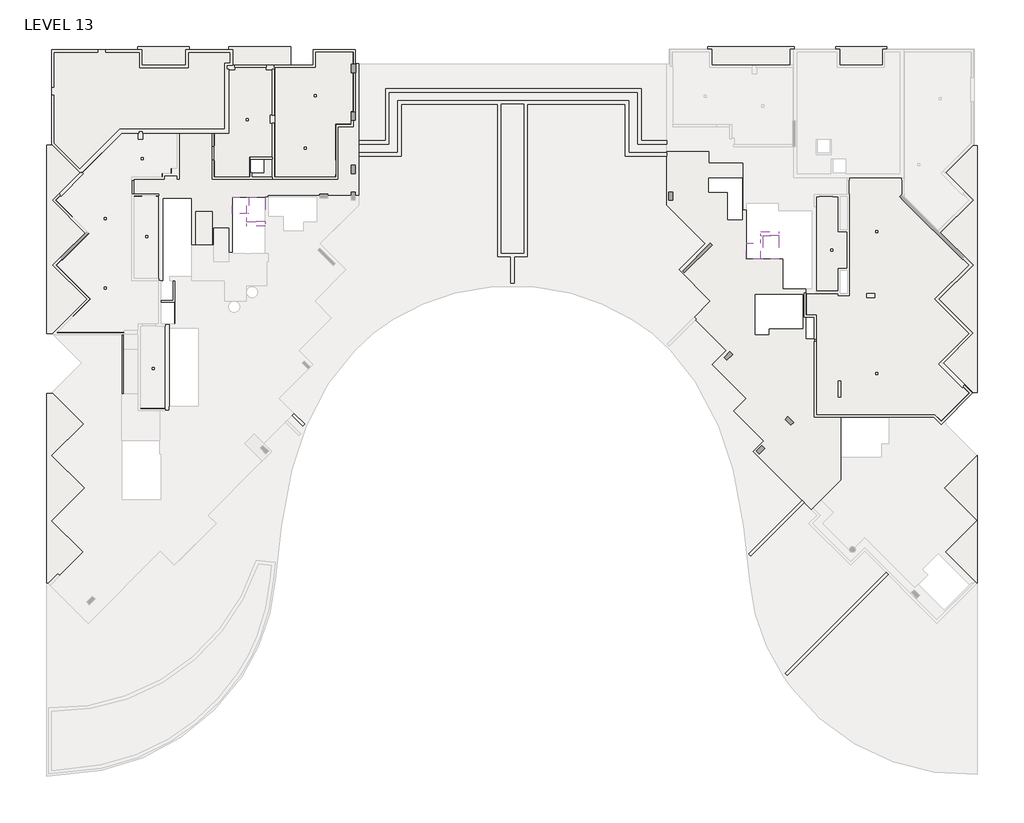
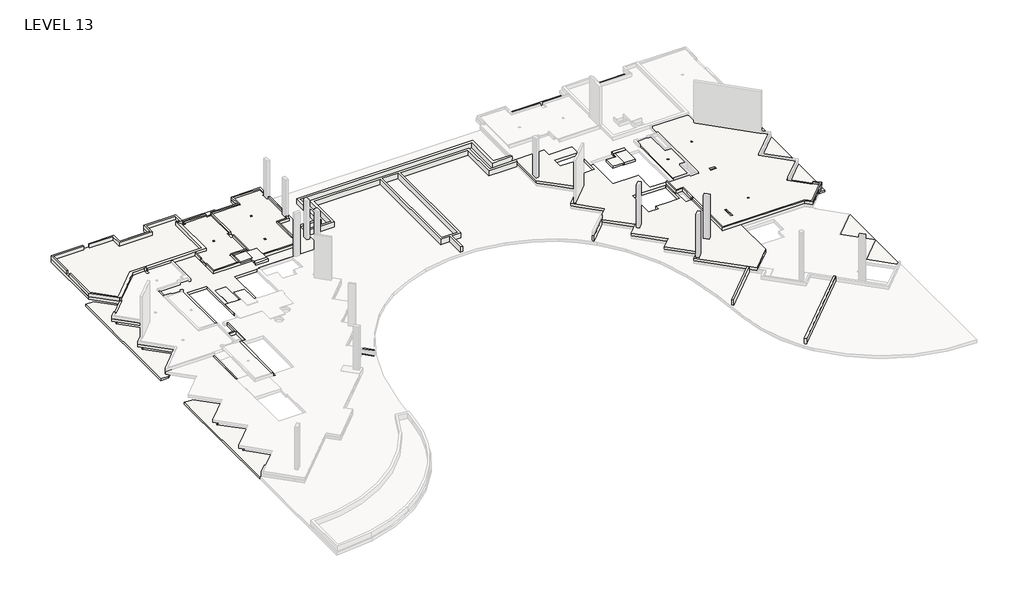
# One storey, part 4 of 5: 24 slabs.
"""IFC4 building model written with IfcOpenShell, lengths in millimetres."""

from ifc_helpers import new_model, si_unit, frame, origin, place, context, project, spatial, polyline, outline, extrude, faceted_brep, element, save

model = new_model("IFC4")

# Units and contexts
model_context = context("Model", 3, world=origin())
ifc_project = project(units=[si_unit("LENGTHUNIT", "METRE", prefix="MILLI")], contexts=[model_context])

# Site, building, storey
site = spatial("IfcSite", under=ifc_project)
building = spatial("IfcBuilding", under=site)
storey = spatial("IfcBuildingStorey", under=building, Name="LEVEL 13", Elevation=41350.0)

# Slabs
placement = place(None, origin())
element("IfcSlab", 1, ObjectType="200 SLAB", at=placement, inside=storey, context=model_context, shape_type="Brep", body=[
    faceted_brep([(177092.7148824, 178741.2468358, 40450.0), (177092.7148824, 192830.0981869, 40450.0), (177890.667677, 192830.0981869, 40450.0), (177997.248071, 192830.0981869, 40450.0), (180263.2740415, 190564.0722165, 40450.0), (177915.6795279, 188216.4777029, 40450.0), (180333.9787939, 185798.1784369, 40450.0), (177915.6736023, 183379.8732453, 40450.0), (180234.9897699, 181060.5570777, 40450.0), (177915.6795279, 178741.2468358, 40450.0), (177092.7148824, 178741.2468358, 40650.0), (177915.6795279, 178741.2468358, 40650.0), (180234.9897699, 181060.5570777, 40650.0), (177915.6736023, 183379.8732453, 40650.0), (180333.9787939, 185798.1784369, 40650.0), (177915.6795279, 188216.4777029, 40650.0), (180051.1420071, 190351.9401821, 40650.0), (180263.2740415, 190564.0722165, 40650.0), (177997.248071, 192830.0981869, 40650.0), (177890.667677, 192830.0981869, 40650.0), (177092.7148824, 192830.0981869, 40650.0)], [[[0, 1, 2, 3, 4, 5, 6, 7, 8, 9]], [[10, 11, 12, 13, 14, 15, 16, 17, 18, 19, 20]], [[1, 0, 10, 20]], [[3, 2, 1, 20, 19, 18]], [[4, 3, 18, 17]], [[5, 4, 17, 16, 15]], [[6, 5, 15, 14]], [[7, 6, 14, 13]], [[8, 7, 13, 12]], [[9, 8, 12, 11]], [[0, 9, 11, 10]]]),
    faceted_brep([(177092.7148824, 197267.4445021, 40450.0), (177092.7148824, 211243.5141082, 40450.0), (177954.8216636, 211243.5141082, 40450.0), (180008.8932696, 209189.4425022, 40450.0), (177961.6414687, 207142.1907014, 40450.0), (180379.9407348, 204723.8914352, 40450.0), (177986.3842806, 202330.334981, 40450.0), (180517.8324827, 199798.8867788, 40450.0), (177986.390206, 197267.4445021, 40450.0), (177092.7148824, 197267.4445021, 40650.0), (177986.390206, 197267.4445021, 40650.0), (180305.7004484, 199586.7547445, 40650.0), (180517.8324827, 199798.8867788, 40650.0), (177986.3842806, 202330.334981, 40650.0), (180379.9407348, 204723.8914352, 40650.0), (180167.814626, 204936.0175441, 40650.0), (177961.6414687, 207142.1907014, 40650.0), (180008.8932696, 209189.4425022, 40650.0), (177954.8216636, 211243.5141082, 40650.0), (177092.7148824, 211243.5141082, 40650.0)], [[[0, 1, 2, 3, 4, 5, 6, 7, 8]], [[9, 10, 11, 12, 13, 14, 15, 16, 17, 18, 19]], [[1, 0, 9, 19]], [[2, 1, 19, 18]], [[3, 2, 18, 17]], [[4, 3, 17, 16]], [[5, 4, 16, 15, 14]], [[6, 5, 14, 13]], [[7, 6, 13, 12]], [[8, 7, 12, 11, 10]], [[0, 8, 10, 9]]]),
    faceted_brep([(187666.1491689, 218537.6490053, 40450.0), (187666.1491689, 216852.6490083, 40450.0), (183862.6165793, 216852.6490083, 40450.0), (183862.6165793, 218537.6490053, 40450.0), (187666.1491689, 218537.6490053, 40650.0), (183862.6165793, 218537.6490053, 40650.0), (183862.6165793, 216852.6490083, 40650.0), (187666.1491689, 216852.6490083, 40650.0)], [[[0, 1, 2, 3]], [[4, 5, 6, 7]], [[1, 0, 4, 7]], [[2, 1, 7, 6]], [[3, 2, 6, 5]], [[0, 3, 5, 4]]]),
    faceted_brep([(190581.1817586, 218537.6490053, 40450.0), (195196.1817586, 218537.6490053, 40450.0), (195196.1817586, 216852.6490083, 40450.0), (190581.1817586, 216852.6490083, 40450.0), (190581.1817586, 218537.6490053, 40650.0), (190581.1817586, 216852.6490083, 40650.0), (195196.1817586, 216852.6490083, 40650.0), (195196.1817586, 218537.6490053, 40650.0)], [[[0, 1, 2, 3]], [[4, 5, 6, 7]], [[1, 0, 4, 7]], [[2, 1, 7, 6]], [[3, 2, 6, 5]], [[0, 3, 5, 4]]]),
    faceted_brep([(232494.079817, 216842.6487402, 40450.0), (226068.4924966, 216842.6487402, 40450.0), (226068.4924966, 218537.6490053, 40450.0), (232494.079817, 218537.6490053, 40450.0), (232494.079817, 216842.6487402, 40650.0), (232494.079817, 218537.6490053, 40650.0), (226068.4924966, 218537.6490053, 40650.0), (226068.4924966, 216842.6487402, 40650.0)], [[[0, 1, 2, 3]], [[4, 5, 6, 7]], [[1, 0, 4, 7]], [[2, 1, 7, 6]], [[3, 2, 6, 5]], [[0, 3, 5, 4]]]),
    faceted_brep([(239330.5472273, 218537.6490053, 40450.0), (239330.5472273, 216842.6487402, 40450.0), (235562.1509792, 216842.6487402, 40450.0), (235562.1509792, 218537.6490053, 40450.0), (239330.5472273, 218537.6490053, 40650.0), (235562.1509792, 218537.6490053, 40650.0), (235562.1509792, 216842.6487402, 40650.0), (235969.079817, 216842.6487402, 40650.0), (239330.5472273, 216842.6487402, 40650.0), (239330.5472273, 217142.6487402, 40650.0)], [[[0, 1, 2, 3]], [[4, 5, 6, 7, 8, 9]], [[1, 0, 4, 9, 8]], [[2, 1, 8, 7, 6]], [[3, 2, 6, 5]], [[0, 3, 5, 4]]]),
    faceted_brep([(246057.5141036, 192880.0981876, 40450.0), (245284.5613093, 192880.0981876, 40450.0), (243085.7045571, 195078.9549397, 40450.0), (245291.8717888, 197285.1221714, 40450.0), (242778.1071813, 199798.8867788, 40450.0), (245309.5553835, 202330.334981, 40450.0), (242891.2501918, 204748.6401726, 40450.0), (245309.549458, 207166.9394387, 40450.0), (243287.0463945, 209189.4425022, 40450.0), (245284.5494558, 211186.9455636, 40450.0), (246057.5141036, 211186.9455636, 40450.0), (246057.5141036, 192880.0981876, 40650.0), (246057.5141036, 211186.9455636, 40650.0), (245284.5494558, 211186.9455636, 40650.0), (243287.0463945, 209189.4425022, 40650.0), (245309.549458, 207166.9394387, 40650.0), (242891.2501918, 204748.6401726, 40650.0), (245309.5553835, 202330.334981, 40650.0), (242778.1071813, 199798.8867788, 40650.0), (242990.2392157, 199586.7547445, 40650.0), (245291.8717888, 197285.1221714, 40650.0), (243085.7045571, 195078.9549397, 40650.0), (245284.5613093, 192880.0981876, 40650.0)], [[[0, 1, 2, 3, 4, 5, 6, 7, 8, 9, 10]], [[11, 12, 13, 14, 15, 16, 17, 18, 19, 20, 21, 22]], [[1, 0, 11, 22]], [[2, 1, 22, 21]], [[3, 2, 21, 20]], [[4, 3, 20, 19, 18]], [[5, 4, 18, 17]], [[6, 5, 17, 16]], [[7, 6, 16, 15]], [[8, 7, 15, 14]], [[9, 8, 14, 13]], [[10, 9, 13, 12]], [[0, 10, 12, 11]]]),
    faceted_brep([(246057.5141036, 178741.3590752, 40450.0), (246002.4018641, 178741.3590752, 40450.0), (243672.778824, 181070.9821153, 40450.0), (245992.0949916, 183390.2982829, 40450.0), (243584.2148376, 185798.1784369, 40450.0), (246002.5141036, 188216.4777029, 40450.0), (246057.5141036, 188216.4777029, 40450.0), (246057.5141036, 178741.3590752, 40650.0), (246057.5141036, 188216.4777029, 40650.0), (246002.5141036, 188216.4777029, 40650.0), (243584.2148376, 185798.1784369, 40650.0), (245992.0949916, 183390.2982829, 40650.0), (243672.778824, 181070.9821153, 40650.0), (246002.4018641, 178741.3590752, 40650.0)], [[[0, 1, 2, 3, 4, 5, 6]], [[7, 8, 9, 10, 11, 12, 13]], [[1, 0, 7, 13]], [[2, 1, 13, 12]], [[3, 2, 12, 11]], [[4, 3, 11, 10]], [[5, 4, 10, 9]], [[6, 5, 9, 8]], [[0, 6, 8, 7]]]),
])
element("IfcSlab", 2, ObjectType="200 SLAB", at=placement, inside=storey, context=model_context, shape_type="Brep", body=[
    faceted_brep([(190841.1489175, 206144.6402751, 43600.0), (190841.1489175, 207358.1983002, 43600.0), (191941.1489175, 207358.1983002, 43600.0), (192081.1489175, 207358.1983002, 43600.0), (192081.1489175, 206144.6402751, 43600.0), (191941.1489175, 206144.6402751, 43600.0), (190841.1489175, 206144.6402751, 43800.0), (192081.1489175, 206144.6402751, 43800.0), (192081.1489175, 207358.1983002, 43800.0), (190841.1489175, 207358.1983002, 43800.0), (192081.1489175, 207358.1983002, 43750.0), (192081.1489175, 206144.6402751, 43750.0)], [[[0, 1, 2, 3, 4, 5]], [[6, 7, 8, 9]], [[1, 0, 6, 9]], [[3, 2, 1, 9, 8, 10]], [[4, 3, 10, 8, 7, 11]], [[0, 5, 4, 11, 7, 6]]]),
])
element("IfcSlab", 3, ObjectType="200 SLAB", at=placement, inside=storey, context=model_context, shape_type="Brep", body=[
    faceted_brep([(228911.1491692, 203963.2508905, 43150.0), (230011.1491692, 203963.2508905, 43150.0), (230011.1491692, 204510.216984, 43150.0), (230151.1491692, 204510.216984, 43150.0), (230151.1491692, 202773.216984, 43150.0), (230011.1491692, 202773.216984, 43150.0), (228911.1491692, 202773.216984, 43150.0), (228911.1491692, 203963.2508905, 43350.0), (228911.1491692, 202773.216984, 43350.0), (230151.1491692, 202773.216984, 43350.0), (230151.1491692, 204510.216984, 43350.0), (230011.1491692, 204510.216984, 43350.0), (230011.1491692, 203963.2508905, 43350.0), (230151.1491692, 204510.216984, 43300.0), (230151.1491692, 202773.216984, 43300.0)], [[[0, 1, 2, 3, 4, 5, 6]], [[7, 8, 9, 10, 11, 12]], [[1, 0, 7, 12]], [[4, 3, 13, 10, 9, 14]], [[6, 5, 4, 14, 9, 8]], [[0, 6, 8, 7]], [[2, 1, 12, 11]], [[3, 2, 11, 10, 13]]]),
])
element("IfcSlab", 4, ObjectType="200 SLAB", at=placement, inside=storey, context=model_context, shape_type="Brep", body=[
    faceted_brep([(191941.1489175, 207358.1983002, 43550.0), (193281.1958691, 207358.1983002, 43550.0), (193281.1958691, 205561.4728012, 43550.0), (191941.1489175, 205561.4728012, 43550.0), (193281.1958691, 205561.4728012, 43750.0), (193281.1958691, 207358.1983002, 43750.0), (192081.1489175, 207358.1983002, 43750.0), (192081.1489175, 206144.6402751, 43750.0), (191941.1489175, 206144.6402751, 43750.0), (191941.1489175, 205561.4728012, 43750.0), (191941.1489175, 207358.1983002, 43600.0), (192081.1489175, 207358.1983002, 43600.0), (191941.1489175, 206144.6402751, 43600.0), (192081.1489175, 206144.6402751, 43600.0)], [[[0, 1, 2, 3]], [[4, 5, 6, 7, 8, 9]], [[1, 0, 10, 11, 6, 5]], [[2, 1, 5, 4]], [[3, 2, 4, 9]], [[0, 3, 9, 8, 12, 10]], [[13, 11, 10, 12]], [[11, 13, 7, 6]], [[13, 12, 8, 7]]]),
])
element("IfcSlab", 5, ObjectType="300 TRANSFER SLAB", at=placement, inside=storey, context=model_context, shape_type="Brep", body=[
    faceted_brep([(228911.1491692, 202773.216984, 41050.0), (231402.4721706, 202773.216984, 41050.0), (231651.1491692, 202773.216984, 41050.0), (231651.1491692, 200548.2322067, 41050.0), (233353.3270284, 200548.2322067, 41050.0), (233353.3270284, 200298.1983002, 41050.0), (233353.3270284, 198478.2796194, 41050.0), (233353.3270284, 196855.6796194, 41050.0), (233973.3270284, 196855.6796194, 41050.0), (233973.3270284, 191069.9667857, 41050.0), (235948.3270284, 191069.9667857, 41050.0), (235948.3270284, 186412.5258895, 41050.0), (235648.3270284, 186112.5258895, 41050.0), (234460.5910539, 184924.789915, 41050.0), (233753.4842727, 184217.6831338, 41050.0), (230152.0535874, 187819.1138191, 41050.0), (229444.9468062, 188526.2206003, 41050.0), (230213.3118296, 189294.5856237, 41050.0), (228692.9570003, 190814.9404531, 41050.0), (227985.8502191, 191522.0472343, 41050.0), (228917.5144496, 192453.7114648, 41050.0), (227114.5737184, 194256.6521959, 41050.0), (226407.4669372, 194963.7589771, 41050.0), (227448.2850104, 196004.5770502, 41050.0), (225737.0925284, 197715.7695323, 41050.0), (225029.9857472, 198422.8763135, 41050.0), (226274.6601941, 199667.5507604, 41050.0), (224662.2730786, 201279.9378758, 41050.0), (223955.1662974, 201987.044657, 41050.0), (225901.3729607, 203933.2513203, 41050.0), (224042.0250868, 205792.5991942, 41050.0), (223042.0250868, 206792.5991942, 41050.0), (223041.6619625, 206792.9623186, 41050.0), (223041.6619625, 210740.6983002, 41050.0), (226149.0721706, 210740.6983002, 41050.0), (226149.0721706, 209884.8725072, 41050.0), (228661.5721706, 209884.8725072, 41050.0), (228661.5721706, 206423.2508905, 41050.0), (228911.1491692, 206423.2508905, 41050.0), (229586.3270284, 197177.3142449, 41050.0), (230602.3270284, 197177.3142449, 41050.0), (230602.3270284, 197625.2796194, 41050.0), (232102.3270284, 197625.2796194, 41050.0), (233118.3270284, 197625.2796194, 41050.0), (233118.3270284, 200125.2796194, 41050.0), (233102.3270284, 200125.2796194, 41050.0), (233102.3270284, 200141.2796194, 41050.0), (229586.3270284, 200141.2796194, 41050.0), (226149.0721706, 207755.1983032, 41050.0), (227546.0721706, 207755.1983032, 41050.0), (227546.0721706, 205692.2490024, 41050.0), (228646.1491692, 205692.2490024, 41050.0), (228646.1491692, 208771.1983032, 41050.0), (226149.0721706, 208771.1983032, 41050.0), (231651.1491692, 202773.216984, 41350.0), (231402.4721706, 202773.216984, 41350.0), (228911.1491692, 202773.216984, 41350.0), (228911.1491692, 206423.2508905, 41350.0), (228661.5721706, 206423.2508905, 41350.0), (228661.5721706, 209884.8725072, 41350.0), (226149.0721706, 209884.8725072, 41350.0), (226149.0721706, 210740.6983002, 41350.0), (223041.6619625, 210740.6983002, 41350.0), (223041.6619625, 206792.9623186, 41350.0), (225901.3729607, 203933.2513203, 41350.0), (223955.1662974, 201987.044657, 41350.0), (226274.6601941, 199667.5507604, 41350.0), (225029.9857472, 198422.8763135, 41350.0), (227448.2850104, 196004.5770502, 41350.0), (226407.4669372, 194963.7589771, 41350.0), (228917.5144496, 192453.7114648, 41350.0), (227985.8502191, 191522.0472343, 41350.0), (230213.3118296, 189294.5856237, 41350.0), (229444.9468062, 188526.2206003, 41350.0), (233753.4842727, 184217.6831338, 41350.0), (235948.3270284, 186412.5258895, 41350.0), (235948.3270284, 191069.9667857, 41350.0), (233973.3270284, 191069.9667857, 41350.0), (233973.3270284, 196855.6796194, 41350.0), (233353.3270284, 196855.6796194, 41350.0), (233353.3270284, 198478.2796194, 41350.0), (233353.3270284, 200298.1983002, 41350.0), (233353.3270284, 200548.2322067, 41350.0), (231651.1491692, 200548.2322067, 41350.0), (230602.3270284, 197177.3142449, 41350.0), (229586.3270284, 197177.3142449, 41350.0), (229586.3270284, 200141.2796194, 41350.0), (233102.3270284, 200141.2796194, 41350.0), (233102.3270284, 200125.2796194, 41350.0), (233118.3270284, 200125.2796194, 41350.0), (233118.3270284, 197625.2796194, 41350.0), (232102.3270284, 197625.2796194, 41350.0), (230602.3270284, 197625.2796194, 41350.0), (227546.0721706, 207755.1983032, 41350.0), (226149.0721706, 207755.1983032, 41350.0), (226149.0721706, 208771.1983032, 41350.0), (228646.1491692, 208771.1983032, 41350.0), (228646.1491692, 205692.2490024, 41350.0), (227546.0721706, 205692.2490024, 41350.0)], [[[0, 1, 2, 3, 4, 5, 6, 7, 8, 9, 10, 11, 12, 13, 14, 15, 16, 17, 18, 19, 20, 21, 22, 23, 24, 25, 26, 27, 28, 29, 30, 31, 32, 33, 34, 35, 36, 37, 38], [39, 40, 41, 42, 43, 44, 45, 46, 47], [48, 49, 50, 51, 52, 53]], [[54, 55, 56, 57, 58, 59, 60, 61, 62, 63, 64, 65, 66, 67, 68, 69, 70, 71, 72, 73, 74, 75, 76, 77, 78, 79, 80, 81, 82, 83], [84, 85, 86, 87, 88, 89, 90, 91, 92], [93, 94, 95, 96, 97, 98]], [[32, 63, 62, 33]], [[56, 0, 38, 57]], [[2, 1, 0, 56, 55, 54]], [[3, 2, 54, 83]], [[4, 3, 83, 82]], [[4, 82, 81, 80, 79, 7, 6, 5]], [[8, 7, 79, 78]], [[9, 8, 78, 77]], [[10, 9, 77, 76]], [[16, 15, 14, 74, 73]], [[17, 16, 73, 72]], [[19, 18, 17, 72, 71]], [[20, 19, 71, 70]], [[22, 21, 20, 70, 69]], [[23, 22, 69, 68]], [[25, 24, 23, 68, 67]], [[26, 25, 67, 66]], [[28, 27, 26, 66, 65]], [[29, 28, 65, 64]], [[32, 31, 30, 29, 64, 63]], [[11, 10, 76, 75]], [[40, 39, 85, 84]], [[41, 40, 84, 92]], [[41, 92, 91, 90, 43, 42]], [[44, 43, 90, 89]], [[44, 89, 88, 45]], [[85, 39, 47, 86]], [[49, 48, 94, 93]], [[50, 49, 93, 98]], [[51, 50, 98, 97]], [[52, 51, 97, 96]], [[53, 52, 96, 95]], [[48, 53, 95, 94]], [[14, 13, 12, 11, 75, 74]], [[87, 46, 45, 88]], [[86, 47, 46, 87]], [[37, 58, 57, 38]], [[58, 37, 36, 59]], [[59, 36, 35, 60]], [[60, 35, 34, 61]], [[61, 34, 33, 62]]]),
])
element("IfcSlab", 6, ObjectType="300 TRANSFER SLAB", at=placement, inside=storey, context=model_context, shape_type="Brep", body=[
    faceted_brep([(186201.1489175, 197958.2322067, 41050.0), (186201.1489175, 191842.6490083, 41050.0), (186201.1489175, 191543.2322067, 41050.0), (185466.1489175, 191543.2322067, 41050.0), (182656.1019659, 191543.2322067, 41050.0), (182656.1019659, 197168.4495528, 41050.0), (177661.1210867, 197168.4495528, 41050.0), (177562.1261373, 197267.4445021, 41050.0), (180093.568414, 199798.8867788, 41050.0), (177774.2522462, 202118.2029466, 41050.0), (177562.1202119, 202330.334981, 41050.0), (179955.6766661, 204723.8914352, 41050.0), (177537.3774, 207142.1907014, 41050.0), (177749.5094343, 207354.3227357, 41050.0), (179584.6292008, 209189.4425022, 41050.0), (177462.7148824, 211311.3568207, 41050.0), (177462.7148824, 218297.6490083, 41050.0), (184162.6165793, 218297.6490083, 41050.0), (184162.6165793, 217142.6490083, 41050.0), (187416.1491689, 217142.6490083, 41050.0), (187416.1491689, 218297.6490083, 41050.0), (190881.1817586, 218297.6490083, 41050.0), (190881.1817586, 217142.6487402, 41050.0), (196843.2038997, 217142.6487402, 41050.0), (196843.2038997, 218297.6490083, 41050.0), (199978.1920448, 218297.6490083, 41050.0), (199978.1920448, 217257.6490083, 41050.0), (200218.1920448, 217257.6490083, 41050.0), (200218.1920448, 217185.0490053, 41050.0), (200218.1920448, 207468.1983002, 41050.0), (193531.1958691, 207468.1983002, 41050.0), (193531.1958691, 207392.1983002, 41050.0), (193531.1958691, 207358.1983002, 41050.0), (193281.1958691, 207358.1983002, 41050.0), (190841.1489175, 207358.1983002, 41050.0), (190841.1489175, 202578.1983002, 41050.0), (190841.1489175, 202193.1983002, 41050.0), (188111.1489205, 202193.1983002, 41050.0), (187861.1489205, 202193.1983002, 41050.0), (187861.1489205, 207308.2322067, 41050.0), (185701.1489205, 207308.2322067, 41050.0), (185701.1489205, 201493.1983002, 41050.0), (185701.1489205, 201193.2322067, 41050.0), (185541.1489175, 201193.1983002, 41050.0), (185541.1489175, 199693.1983002, 41050.0), (186491.1489175, 199693.1983002, 41050.0), (186491.1489175, 201193.2322067, 41050.0), (186631.1489175, 201193.2322067, 41050.0), (186631.1489175, 197958.2322067, 41050.0), (186231.1489175, 197958.2322067, 41050.0), (192191.1491689, 210172.9748729, 41050.0), (192191.1491689, 209172.9748729, 41050.0), (193191.1491689, 209172.9748729, 41050.0), (193191.1491689, 210172.9748729, 41050.0), (186541.1489175, 199553.1983002, 41050.0), (185541.1489175, 199553.1983002, 41050.0), (185541.1489175, 197968.1983002, 41050.0), (186541.1489175, 197968.1983002, 41050.0), (186201.1489175, 191543.2322067, 41350.0), (186201.1489175, 191842.6490083, 41350.0), (186201.1489175, 197958.2322067, 41350.0), (186231.1489175, 197958.2322067, 41350.0), (186631.1489175, 197958.2322067, 41350.0), (186631.1489175, 201193.2322067, 41350.0), (186491.1489175, 201193.2322067, 41350.0), (186491.1489175, 199693.1983002, 41350.0), (185541.1489175, 199693.1983002, 41350.0), (185541.1489175, 201193.1983002, 41350.0), (185701.1489205, 201193.1983002, 41350.0), (185701.1489205, 201493.1983002, 41350.0), (185701.1489205, 207308.2322067, 41350.0), (187861.1489205, 207308.2322067, 41350.0), (187861.1489205, 203833.1983002, 41350.0), (187861.1489205, 202193.1983002, 41350.0), (188111.1489205, 202193.1983002, 41350.0), (190841.1489175, 202193.1983002, 41350.0), (190841.1489175, 202578.1983002, 41350.0), (190841.1489175, 203178.1983002, 41350.0), (190841.1489175, 203273.1983002, 41350.0), (190841.1489175, 207358.1983002, 41350.0), (193281.1958691, 207358.1983002, 41350.0), (193531.1958691, 207358.1983002, 41350.0), (193531.1958691, 207392.1983002, 41350.0), (193531.1958691, 207468.1983002, 41350.0), (200218.1920448, 207468.1983002, 41350.0), (200218.1920448, 217257.6490083, 41350.0), (199978.1920448, 217257.6490083, 41350.0), (199978.1920448, 218297.6490083, 41350.0), (196843.2038997, 218297.6490083, 41350.0), (196843.2038997, 217142.6487402, 41350.0), (190881.1817586, 217142.6487402, 41350.0), (190881.1817586, 218297.6490083, 41350.0), (187416.1491689, 218297.6490083, 41350.0), (187416.1491689, 217142.6490083, 41350.0), (184162.6165793, 217142.6490083, 41350.0), (184162.6165793, 218297.6490083, 41350.0), (177462.7148824, 218297.6490083, 41350.0), (177462.7148824, 211311.3568207, 41350.0), (179584.6292008, 209189.4425022, 41350.0), (177537.3774, 207142.1907014, 41350.0), (179955.6766661, 204723.8914352, 41350.0), (177562.1202119, 202330.334981, 41350.0), (180093.568414, 199798.8867788, 41350.0), (177562.1261373, 197267.4445021, 41350.0), (177661.1210867, 197168.4495528, 41350.0), (182656.1019659, 197168.4495528, 41350.0), (182656.1019659, 192783.2322067, 41350.0), (184036.1019659, 192783.2322067, 41350.0), (184036.1019659, 191683.2322067, 41350.0), (185466.1489175, 191683.2322067, 41350.0), (185466.1489175, 191543.2322067, 41350.0), (192191.1491689, 209172.9748729, 41350.0), (192191.1491689, 210172.9748729, 41350.0), (193191.1491689, 210172.9748729, 41350.0), (193191.1491689, 209172.9748729, 41350.0), (185541.1489175, 199553.1983002, 41350.0), (186541.1489175, 199553.1983002, 41350.0), (186541.1489175, 197968.1983002, 41350.0), (185541.1489175, 197968.1983002, 41350.0), (185466.1489175, 191543.2322067, 41100.0), (182656.1019659, 191543.2322067, 41100.0), (190841.1489175, 202193.1983002, 41100.0), (187861.1489205, 202193.1983002, 41100.0), (182656.1019659, 192783.2322067, 41100.0), (184036.1019659, 192783.2322067, 41100.0), (185466.1489175, 191683.2322067, 41100.0), (184036.1019659, 191683.2322067, 41100.0)], [[[0, 1, 2, 3, 4, 5, 6, 7, 8, 9, 10, 11, 12, 13, 14, 15, 16, 17, 18, 19, 20, 21, 22, 23, 24, 25, 26, 27, 28, 29, 30, 31, 32, 33, 34, 35, 36, 37, 38, 39, 40, 41, 42, 43, 44, 45, 46, 47, 48, 49], [50, 51, 52, 53], [54, 55, 56, 57]], [[58, 59, 60, 61, 62, 63, 64, 65, 66, 67, 68, 69, 70, 71, 72, 73, 74, 75, 76, 77, 78, 79, 80, 81, 82, 83, 84, 85, 86, 87, 88, 89, 90, 91, 92, 93, 94, 95, 96, 97, 98, 99, 100, 101, 102, 103, 104, 105, 106, 107, 108, 109, 110], [111, 112, 113, 114], [115, 116, 117, 118]], [[2, 1, 0, 60, 59, 58]], [[4, 3, 2, 58, 110, 119, 120]], [[7, 6, 104, 103]], [[8, 7, 103, 102]], [[10, 9, 8, 102, 101]], [[11, 10, 101, 100]], [[12, 11, 100, 99]], [[14, 13, 12, 99, 98]], [[15, 14, 98, 97]], [[16, 15, 97, 96]], [[17, 16, 96, 95]], [[18, 17, 95, 94]], [[19, 18, 94, 93]], [[20, 19, 93, 92]], [[21, 20, 92, 91]], [[22, 21, 91, 90]], [[23, 22, 90, 89]], [[24, 23, 89, 88]], [[25, 24, 88, 87]], [[29, 28, 27, 85, 84]], [[30, 29, 84, 83]], [[32, 31, 30, 83, 82, 81]], [[34, 33, 32, 81, 80, 79]], [[36, 35, 34, 79, 78, 77, 76, 75, 121]], [[38, 37, 36, 121, 75, 74, 73, 122]], [[39, 38, 122, 73, 72, 71]], [[40, 39, 71, 70]], [[42, 41, 40, 70, 69, 68]], [[63, 47, 46, 64]], [[48, 47, 63, 62]], [[0, 49, 48, 62, 61, 60]], [[26, 25, 87, 86]], [[27, 26, 86, 85]], [[5, 4, 120, 123, 106, 105]], [[6, 5, 105, 104]], [[124, 123, 120, 119, 125, 126]], [[125, 119, 110, 109]], [[126, 125, 109, 108]], [[123, 124, 107, 106]], [[124, 126, 108, 107]], [[50, 112, 111, 51]], [[51, 111, 114, 52]], [[52, 114, 113, 53]], [[112, 50, 53, 113]], [[67, 43, 42, 68]], [[43, 67, 66, 44]], [[44, 66, 65, 45]], [[45, 65, 64, 46]], [[54, 116, 115, 55]], [[55, 115, 118, 56]], [[56, 118, 117, 57]], [[116, 54, 57, 117]]]),
])
element("IfcSlab", 7, ObjectType="CONCRETE FILL_RAMP", at=placement, inside=storey, context=model_context, shape_type="SweptSolid", body=[
    extrude(outline(polyline([(206333.1983002, 41348.0), (203833.1983002, 41348.0), (203833.1983002, 41400.0), (206333.1983002, 41350.0), (206333.1983002, 41348.0)])), frame((188161.1489205, 0.0, 0.0), z_axis=(1.0, 0.0, 0.0), x_axis=(0.0, 1.0, 0.0)), (0.0, 0.0, 1.0), 1189.999997),
])
element("IfcSlab", 8, ObjectType="F2A - 165mm Concrete Curb", at=placement, inside=storey, context=model_context, shape_type="SweptSolid", body=[
    extrude(outline(polyline([(198537.0646065, 210078.1983002), (198677.0646065, 210078.1983002), (198677.0646065, 209063.1983002), (198537.0646065, 209063.1983002), (198537.0646065, 210078.1983002)])), frame((0.0, 0.0, 41350.0), z_axis=(0.0, 0.0, 1.0), x_axis=(1.0, 0.0, 0.0)), (0.0, 0.0, 1.0), 165.0),
])
element("IfcSlab", 9, ObjectType="F2A - 165mm Concrete Curb", at=placement, inside=storey, context=model_context, shape_type="SweptSolid", body=[
    extrude(outline(polyline([(189351.1489175, 211142.6490083), (189491.1489175, 211142.6490083), (189491.1489175, 210127.6490083), (189351.1489175, 210127.6490083), (189351.1489175, 211142.6490083)])), frame((0.0, 0.0, 41350.0), z_axis=(0.0, 0.0, 1.0), x_axis=(1.0, 0.0, 0.0)), (0.0, 0.0, 1.0), 165.0),
])
element("IfcSlab", 10, ObjectType="F2A - 165mm Concrete Curb", at=placement, inside=storey, context=model_context, shape_type="SweptSolid", body=[
    extrude(outline(polyline([(183551.1489205, 207608.2322067), (183411.1489205, 207608.2322067), (183411.1489205, 208623.2322067), (183551.1489205, 208623.2322067), (183551.1489205, 207608.2322067)])), frame((0.0, 0.0, 41350.0), z_axis=(0.0, 0.0, 1.0), x_axis=(1.0, 0.0, 0.0)), (0.0, 0.0, 1.0), 165.0),
])
element("IfcSlab", 11, ObjectType="F2A - 200mm Suspended Concrete Slab", at=placement, inside=storey, context=model_context, shape_type="Brep", body=[
    faceted_brep([(230011.1491692, 204510.216984, 43100.0), (231351.1491692, 204510.216984, 43100.0), (231351.1491692, 202773.216984, 43100.0), (230011.1491692, 202773.216984, 43100.0), (231351.1491692, 202773.216984, 43300.0), (231351.1491692, 204510.216984, 43300.0), (230151.1491692, 204510.216984, 43300.0), (230151.1491692, 202773.216984, 43300.0), (230011.1491692, 204510.216984, 43150.0), (230151.1491692, 204510.216984, 43150.0), (230151.1491692, 202773.216984, 43150.0), (230011.1491692, 202773.216984, 43150.0), (230011.1491692, 203963.2508905, 43150.0)], [[[0, 1, 2, 3]], [[4, 5, 6, 7]], [[1, 0, 8, 9, 6, 5]], [[2, 1, 5, 4]], [[3, 2, 4, 7, 10, 11]], [[0, 3, 11, 12, 8]], [[10, 9, 8, 12, 11]], [[9, 10, 7, 6]]]),
])
element("IfcSlab", 12, ObjectType="F2A - 250mm Suspended Concrete Slab", at=placement, inside=storey, context=model_context, shape_type="Brep", body=[
    faceted_brep([(191941.1489175, 205561.4527302, 43550.0), (193281.1958691, 205561.4527302, 43550.0), (193281.1958691, 205233.9527302, 43550.0), (191941.1489175, 205233.9527302, 43550.0), (191941.1489175, 205561.4527302, 43800.0), (191941.1489175, 205233.9527302, 43800.0), (193281.1958691, 205233.9527302, 43800.0), (193281.1958691, 205561.4527302, 43800.0), (191941.1489175, 205561.4527302, 43750.0), (193281.1958691, 205561.4527302, 43750.0)], [[[0, 1, 2, 3]], [[4, 5, 6, 7]], [[1, 0, 8, 4, 7, 9]], [[2, 1, 9, 7, 6]], [[3, 2, 6, 5]], [[0, 3, 5, 4, 8]]]),
])
element("IfcSlab", 13, ObjectType="F2A - 250mm Suspended Concrete Slab", at=placement, inside=storey, context=model_context, shape_type="Brep", body=[
    faceted_brep([(230011.1491692, 204510.216984, 43100.0), (230011.1491692, 204834.316984, 43100.0), (231351.1961208, 204834.316984, 43100.0), (231351.1961208, 204510.216984, 43100.0), (230011.1491692, 204510.216984, 43350.0), (231351.1961208, 204510.216984, 43350.0), (231351.1961208, 204834.316984, 43350.0), (230011.1491692, 204834.316984, 43350.0), (230011.1491692, 204510.216984, 43150.0)], [[[0, 1, 2, 3]], [[4, 5, 6, 7]], [[1, 0, 8, 4, 7]], [[2, 1, 7, 6]], [[3, 2, 6, 5]], [[0, 3, 5, 4, 8]]]),
])
element("IfcSlab", 14, ObjectType="F2A - 315mm Concrete Curb", at=placement, inside=storey, context=model_context, shape_type="SweptSolid", body=[
    extrude(outline(polyline([(233353.3270284, 198618.2796194), (234113.3270284, 198618.2796194), (234113.3270284, 196855.6796194), (233973.3270284, 196855.6796194), (233973.3270284, 198478.2796194), (233213.3270284, 198478.2796194), (233213.3270284, 200248.2322067), (233353.3270284, 200248.2322067), (233353.3270284, 198618.2796194)])), frame((0.0, 0.0, 41350.0), z_axis=(0.0, 0.0, 1.0), x_axis=(1.0, 0.0, 0.0)), (0.0, 0.0, 1.0), 315.0),
])
element("IfcSlab", 15, ObjectType="F2A - 315mm Concrete Curb", at=placement, inside=storey, context=model_context, shape_type="SweptSolid", body=[
    extrude(outline(polyline([(233973.3270284, 191069.9667857), (233973.3270284, 196655.6796194), (234113.3270284, 196655.6796194), (234113.3270284, 191209.9667857), (242888.816868, 191209.9667857), (243372.0768775, 190726.7067762), (245482.796545, 192837.4264437), (244989.2301882, 193330.9928005), (245088.2251376, 193429.9877499), (245680.7864437, 192837.4264437), (243372.0768775, 190528.7168775), (242830.8269692, 191069.9667857), (233973.3270284, 191069.9667857)])), frame((0.0, 0.0, 41350.0), z_axis=(0.0, 0.0, 1.0), x_axis=(1.0, 0.0, 0.0)), (0.0, 0.0, 1.0), 315.0),
])
element("IfcSlab", 16, ObjectType="F2A - 315mm Concrete Curb", at=placement, inside=storey, context=model_context, shape_type="SweptSolid", body=[
    extrude(outline(polyline([(196843.2038997, 217142.6487402), (196843.2038997, 218297.6490083), (199978.1920448, 218297.6490083), (199978.1920448, 217212.6490083), (199838.1920448, 217212.6490083), (199838.1920448, 218157.6490083), (196983.2038997, 218157.6490083), (196983.2038997, 217002.6487402), (193971.1491689, 217002.6487402), (193971.1491689, 217142.6487402), (196843.2038997, 217142.6487402)])), frame((0.0, 0.0, 41350.0), z_axis=(0.0, 0.0, 1.0), x_axis=(1.0, 0.0, 0.0)), (0.0, 0.0, 1.0), 315.0),
    extrude(outline(polyline([(199838.1920448, 216612.6490083), (199978.1920448, 216612.6490083), (199978.1920448, 213677.6490083), (199838.1920448, 213677.6490083), (199838.1920448, 216612.6490083)])), frame((0.0, 0.0, 41350.0), z_axis=(0.0, 0.0, 1.0), x_axis=(1.0, 0.0, 0.0)), (0.0, 0.0, 1.0), 315.0),
    extrude(outline(polyline([(199818.1920448, 212612.6490083), (198677.0646065, 212612.6490083), (198677.0646065, 208708.1983002), (193831.1491689, 208708.1983002), (193831.1491689, 212852.6487656), (193971.1491689, 212852.6487656), (193971.1491689, 208848.1983002), (198537.0646065, 208848.1983002), (198537.0646065, 212752.6490083), (199678.1920448, 212752.6490083), (199678.1920448, 213077.6490083), (199818.1920448, 213077.6490083), (199818.1920448, 212612.6490083)])), frame((0.0, 0.0, 41350.0), z_axis=(0.0, 0.0, 1.0), x_axis=(1.0, 0.0, 0.0)), (0.0, 0.0, 1.0), 315.0),
    extrude(outline(polyline([(193831.1491689, 216842.6487402), (193971.1491689, 216842.6487402), (193971.1491689, 213452.6487656), (193831.1491689, 213452.6487656), (193831.1491689, 216842.6487402)])), frame((0.0, 0.0, 41350.0), z_axis=(0.0, 0.0, 1.0), x_axis=(1.0, 0.0, 0.0)), (0.0, 0.0, 1.0), 315.0),
])
element("IfcSlab", 17, ObjectType="F2A - 315mm Concrete Curb", at=placement, inside=storey, context=model_context, shape_type="SweptSolid", body=[
    extrude(outline(polyline([(191032.7148824, 217002.6487402), (191032.7148824, 217142.6487402), (193371.1491689, 217142.6487402), (193371.1491689, 217002.6487402), (191032.7148824, 217002.6487402)])), frame((0.0, 0.0, 41350.0), z_axis=(0.0, 0.0, 1.0), x_axis=(1.0, 0.0, 0.0)), (0.0, 0.0, 1.0), 315.0),
    extrude(outline(polyline([(192306.1491689, 208848.1983002), (193831.1491689, 208848.1983002), (193831.1491689, 208708.1983002), (189351.1489175, 208708.1983002), (189351.1489175, 210127.6490083), (189491.1489175, 210127.6490083), (189491.1489175, 208848.1983002), (192166.1491689, 208848.1983002), (192166.1491689, 210317.6490054), (193831.1491689, 210317.6490054), (193831.1491689, 210178.1983002), (192306.1491689, 210178.1983002), (192306.1491689, 210172.9748729), (192191.1491689, 210172.9748729), (192191.1491689, 209172.9748729), (192306.1491689, 209172.9748729), (192306.1491689, 208848.1983002)])), frame((0.0, 0.0, 41350.0), z_axis=(0.0, 0.0, 1.0), x_axis=(1.0, 0.0, 0.0)), (0.0, 0.0, 1.0), 315.0),
    extrude(outline(polyline([(189351.1489175, 211142.6490083), (189351.1489175, 212130.1487656), (189491.1489175, 212130.1487656), (189491.1489175, 211142.6490083), (189351.1489175, 211142.6490083)])), frame((0.0, 0.0, 41350.0), z_axis=(0.0, 0.0, 1.0), x_axis=(1.0, 0.0, 0.0)), (0.0, 0.0, 1.0), 315.0),
])
element("IfcSlab", 18, ObjectType="F2A - 400mm Concrete Curb", at=placement, inside=storey, context=model_context, shape_type="SweptSolid", body=[
    extrude(outline(polyline([(180874.2148824, 218297.6490083), (180874.2148824, 218132.6490083), (177627.7148824, 218132.6490083), (177627.7148824, 215525.1490053), (177462.7148824, 215525.1490053), (177462.7148824, 218297.6490083), (180874.2148824, 218297.6490083)])), frame((0.0, 0.0, 41350.0), z_axis=(0.0, 0.0, 1.0), x_axis=(1.0, 0.0, 0.0)), (0.0, 0.0, 1.0), 400.0),
    extrude(outline(polyline([(181474.2148824, 218297.6490083), (184162.6165793, 218297.6490083), (184162.6165793, 217142.6490083), (187416.1491689, 217142.6490083), (187416.1491689, 218297.6490083), (190881.1817586, 218297.6490083), (190881.1817586, 217142.6487402), (190432.7148824, 217142.6487402), (190432.7148824, 216842.6487402), (190572.7148824, 216842.6487402), (190572.7148824, 212130.1487656), (184216.1491689, 212130.1487656), (184216.1491689, 212270.1487656), (183916.1491689, 212270.1487656), (183916.1491689, 212130.1487656), (182652.6146848, 212130.1487656), (179715.4439554, 209192.9780361), (179651.7984199, 209256.6235716), (179584.6232757, 209189.4484274), (177462.7148824, 211311.3568207), (177462.7148824, 214925.1490053), (177627.7148824, 214925.1490053), (177627.7148824, 211379.7020585), (179559.8804635, 209447.5364774), (182532.4927517, 212420.1487656), (190282.7148824, 212420.1487656), (190282.7148824, 217292.6487402), (190716.1817586, 217292.6487402), (190716.1817586, 218132.6490083), (187581.1491689, 218132.6490083), (187581.1491689, 216977.6490083), (183997.6165793, 216977.6490083), (183997.6165793, 218132.6490083), (181474.2148824, 218132.6490083), (181474.2148824, 218297.6490083)])), frame((0.0, 0.0, 41350.0), z_axis=(0.0, 0.0, 1.0), x_axis=(1.0, 0.0, 0.0)), (0.0, 0.0, 1.0), 400.0),
])
element("IfcSlab", 19, ObjectType="F2A - 600mm Concrete Curb", at=placement, inside=storey, context=model_context, shape_type="SweptSolid", body=[
    extrude(outline(polyline([(202209.7789551, 211562.6490083), (202209.7789551, 215413.3972302), (221132.9789553, 215413.3972302), (221132.9789553, 211562.6490083), (223041.6619625, 211562.6490083), (223041.6619625, 211312.6490083), (220882.9789553, 211312.6490083), (220882.9789553, 215163.3972302), (202459.7789551, 215163.3972302), (202459.7789551, 211312.6490083), (200218.1920448, 211312.6490083), (200218.1920448, 211562.6490083), (202209.7789551, 211562.6490083)])), frame((0.0, 0.0, 40750.0), z_axis=(0.0, 0.0, 1.0), x_axis=(1.0, 0.0, 0.0)), (0.0, 0.0, 1.0), 600.0),
])
element("IfcSlab", 20, ObjectType="F2A - 600mm Concrete Curb", at=placement, inside=storey, context=model_context, shape_type="SweptSolid", body=[
    extrude(outline(polyline([(203109.7789551, 210662.6490083), (203109.7789551, 214513.3972302), (220232.9789553, 214513.3972302), (220232.9789553, 210662.6490083), (223041.6619625, 210662.6490083), (223041.6619625, 210412.6490083), (219982.9789553, 210412.6490083), (219982.9789553, 214263.3972302), (212700.4270036, 214263.3972302), (212700.4270036, 202975.39723), (211737.4270036, 202975.39723), (211737.4270036, 200995.39723), (211487.4270036, 200995.39723), (211487.4270036, 202975.39723), (210524.4270036, 202975.39723), (210524.4270036, 214263.3972302), (203359.7789551, 214263.3972302), (203359.7789551, 210412.6490083), (200218.1920448, 210412.6490083), (200218.1920448, 210662.6490083), (203109.7789551, 210662.6490083)]), holes=[polyline([(210774.4270036, 214263.3972302), (210774.4270036, 203225.39723), (212450.4270036, 203225.39723), (212450.4270036, 214263.3972302), (210774.4270036, 214263.3972302)])]), frame((0.0, 0.0, 40750.0), z_axis=(0.0, 0.0, 1.0), x_axis=(1.0, 0.0, 0.0)), (0.0, 0.0, 1.0), 600.0),
    extrude(outline(polyline([(225173.6698451, 198279.1922155), (223223.822896, 196329.3452664), (223080.1387981, 196473.0293643), (225029.9857472, 198422.8763135), (225173.6698451, 198279.1922155)])), frame((0.0, 0.0, 40750.0), z_axis=(0.0, 0.0, 1.0), x_axis=(1.0, 0.0, 0.0)), (0.0, 0.0, 1.0), 600.0),
    extrude(outline(polyline([(233229.4981952, 184741.6692113), (229276.0771798, 180788.248196), (229132.3930819, 180931.9322939), (233085.8140972, 184885.3533093), (233229.4981952, 184741.6692113)])), frame((0.0, 0.0, 40750.0), z_axis=(0.0, 0.0, 1.0), x_axis=(1.0, 0.0, 0.0)), (0.0, 0.0, 1.0), 600.0),
    extrude(outline(polyline([(239437.4492313, 179395.9666776), (231980.2869046, 171938.8043509), (231836.6028066, 172082.4884489), (239293.7651333, 179539.6507755), (239437.4492313, 179395.9666776)])), frame((0.0, 0.0, 40750.0), z_axis=(0.0, 0.0, 1.0), x_axis=(1.0, 0.0, 0.0)), (0.0, 0.0, 1.0), 600.0),
    extrude(outline(polyline([(196073.7360656, 190399.946761), (195277.3888415, 191196.2939852), (195421.0729394, 191339.9780831), (196217.4201635, 190543.630859), (196073.7360656, 190399.946761)])), frame((0.0, 0.0, 40750.0), z_axis=(0.0, 0.0, 1.0), x_axis=(1.0, 0.0, 0.0)), (0.0, 0.0, 1.0), 600.0),
])
element("IfcSlab", 21, ObjectType="F3B - 165mm Mechanical Floating Floor", at=placement, inside=storey, context=model_context, shape_type="SweptSolid", body=[
    extrude(outline(polyline([(234163.3270284, 198668.2796194), (233403.3270284, 198668.2796194), (233403.3270284, 200198.2322067), (235693.3270284, 200198.2322067), (235693.3270284, 200042.6490054), (236608.3270284, 200042.6490054), (236608.3270284, 207603.1983002), (236558.3270284, 207603.1983002), (236558.3270284, 208783.1983002), (240415.2947395, 208783.1983002), (240415.2947395, 208618.1983002), (240465.2947395, 208618.1983002), (240465.2947395, 207603.1983002), (240415.2947395, 207603.1983002), (240415.2947395, 207224.6449096), (244950.1840794, 202689.7555698), (244992.5858439, 202732.1573343), (245394.4081972, 202330.334981), (242862.959995, 199798.8867788), (245411.8983782, 197249.9483956), (243163.3293819, 195001.3793993), (244946.8284235, 193217.8803577), (244989.2301882, 193260.2821224), (245412.0858669, 192837.4264437), (243372.0768775, 190797.4174543), (242909.5275461, 191259.9667857), (234163.3270284, 191259.9667857), (234163.3270284, 198668.2796194)]), holes=[polyline([(238447.1020707, 200237.6490054), (237847.1020707, 200237.6490054), (237847.1020707, 199937.6490054), (238447.1020707, 199937.6490054), (238447.1020707, 200237.6490054)]), polyline([(235943.3270284, 193724.1334186), (235743.3270284, 193724.1334186), (235743.3270284, 192554.1334186), (235943.3270284, 192554.1334186), (235943.3270284, 193724.1334186)]), polyline([(238683.6035617, 204758.5120108), (238683.6035617, 204908.5120108), (238533.6035617, 204908.5120108), (238533.6035617, 204758.5120108), (238683.6035617, 204758.5120108)]), polyline([(238683.6035617, 194223.7769275), (238683.6035617, 194373.7769275), (238533.6035617, 194373.7769275), (238533.6035617, 194223.7769275), (238683.6035617, 194223.7769275)])]), frame((0.0, 0.0, 41350.0), z_axis=(0.0, 0.0, 1.0), x_axis=(1.0, 0.0, 0.0)), (0.0, 0.0, 1.0), 165.0),
])
element("IfcSlab", 22, ObjectType="F3B - 165mm Mechanical Floating Floor", at=placement, inside=storey, context=model_context, shape_type="SweptSolid", body=[
    extrude(outline(polyline([(235693.3270284, 204778.5120108), (236368.3270284, 204778.5120108), (236368.3270284, 202122.3827074), (235693.3270284, 202122.3827074), (235693.3270284, 200438.2322067), (234161.1491692, 200438.2322067), (234161.1491692, 207363.1983002), (234326.1491692, 207363.1983002), (234326.1491692, 207413.1983002), (235341.1491692, 207413.1983002), (235341.1491692, 207363.1983002), (235693.3270284, 207363.1983002), (235693.3270284, 204778.5120108)]), holes=[polyline([(235336.1491692, 203377.3827074), (235336.1491692, 203527.3827074), (235186.1491692, 203527.3827074), (235186.1491692, 203377.3827074), (235336.1491692, 203377.3827074)])]), frame((0.0, 0.0, 41350.0), z_axis=(0.0, 0.0, 1.0), x_axis=(1.0, 0.0, 0.0)), (0.0, 0.0, 1.0), 165.0),
])
element("IfcSlab", 23, ObjectType="F3B - 165mm Mechanical Floating Floor", at=placement, inside=storey, context=model_context, shape_type="SweptSolid", body=[
    extrude(outline(polyline([(194021.1491689, 208898.1983002), (194021.1491689, 216952.6487402), (197033.2038997, 216952.6487402), (197033.2038997, 218107.6490083), (199788.1920448, 218107.6490083), (199788.1920448, 217262.6490083), (199628.1920448, 217262.6490083), (199628.1920448, 216562.6490083), (199788.1920448, 216562.6490083), (199788.1920448, 213727.6490083), (199628.1920448, 213727.6490083), (199628.1920448, 212802.6490083), (198487.0646065, 212802.6490083), (198487.0646065, 210078.1983002), (198537.0646065, 210078.1983002), (198537.0646065, 209063.1983002), (198487.0646065, 209063.1983002), (198487.0646065, 208898.1983002), (194021.1491689, 208898.1983002)]), holes=[polyline([(197088.1491689, 214952.6490083), (196938.1491689, 214952.6490083), (196938.1491689, 214802.6490083), (197088.1491689, 214802.6490083), (197088.1491689, 214952.6490083)]), polyline([(196328.1491689, 210940.1983002), (196328.1491689, 211090.1983002), (196178.1491689, 211090.1983002), (196178.1491689, 210940.1983002), (196328.1491689, 210940.1983002)])]), frame((0.0, 0.0, 41350.0), z_axis=(0.0, 0.0, 1.0), x_axis=(1.0, 0.0, 0.0)), (0.0, 0.0, 1.0), 165.0),
])
element("IfcSlab", 24, ObjectType="F3B - 165mm Mechanical Floating Floor", at=placement, inside=storey, context=model_context, shape_type="SweptSolid", body=[
    extrude(outline(polyline([(192116.1491689, 210367.6490054), (192116.1491689, 208898.1983002), (189541.1489175, 208898.1983002), (189541.1489175, 210127.6490083), (189491.1489175, 210127.6490083), (189491.1489175, 211142.6490083), (189541.1489175, 211142.6490083), (189541.1489175, 212080.1487656), (190622.7148824, 212080.1487656), (190622.7148824, 216792.6487402), (191082.7148824, 216792.6487402), (191082.7148824, 216952.6487402), (193322.7148824, 216952.6487402), (193322.7148824, 216792.6487402), (193781.1491689, 216792.6487402), (193781.1491689, 213502.6487656), (193621.1491689, 213502.6487656), (193621.1491689, 212802.6487656), (193781.1491689, 212802.6487656), (193781.1491689, 210367.6490054), (192116.1491689, 210367.6490054)]), holes=[polyline([(192031.1491689, 213037.6490083), (192031.1491689, 213187.6490083), (191881.1491689, 213187.6490083), (191881.1491689, 213037.6490083), (192031.1491689, 213037.6490083)])]), frame((0.0, 0.0, 41350.0), z_axis=(0.0, 0.0, 1.0), x_axis=(1.0, 0.0, 0.0)), (0.0, 0.0, 1.0), 165.0),
])

save(model, "model.ifc")
